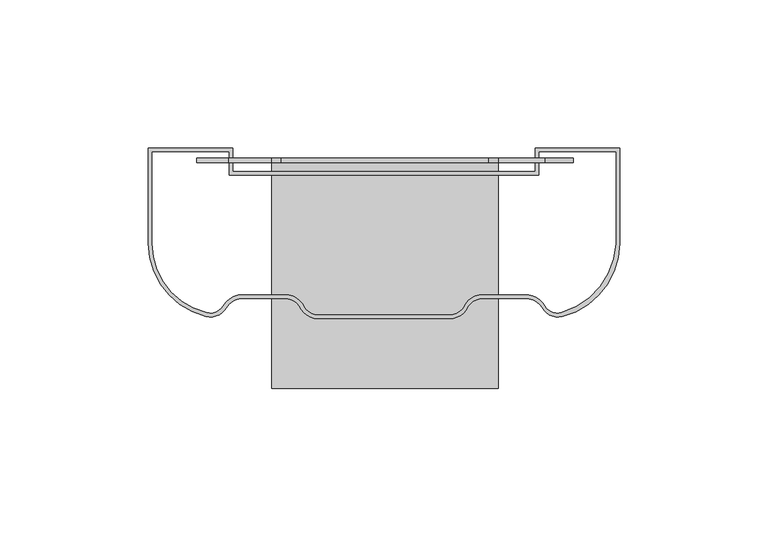
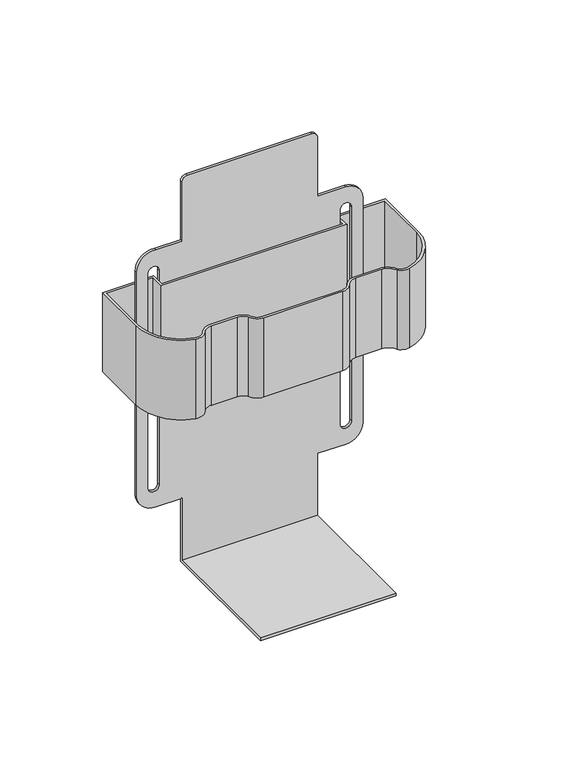
"""IFC4 building model written with IfcOpenShell, lengths in millimetres: furniture geometry."""

from ifc_helpers import new_model, si_unit, point, frame, frame_2d, origin, place, context, project, spatial, polyline, circle_curve, trimmed, segment, composite_curve, outline, extrude, source, transform, mapped, element, save
from ifc_brep_helpers import plane_surface, cylinder_surface, revolved_surface, advanced_brep


def furniture_bdedf092(model_context):
    return source(origin(), model_context, "Body", "SolidModel", [
        advanced_brep(
        [(38.4526217, -93.4962754, 985.8675626), (38.4526217, -93.4962754, 984.3689576), (38.4526217, -15.797675, 984.3689576), (38.4526217, -15.797675, 1022.4689622), (38.4526217, -17.2962754, 1022.4689622), (38.4526217, -17.2962754, 985.8675626), (-37.7473783, -15.797675, 984.3689576), (-37.7473783, -93.4962754, 984.3689576), (-37.7473783, -93.4962754, 985.8675626), (-37.7473783, -17.2962754, 985.8675626), (-37.7473783, -17.2962754, 1022.4689622), (-37.7473783, -15.797675, 1022.4689622), (-52.2863301, -15.797675, 1022.4689622), (-63.1473813, -15.797675, 1031.9939622), (-63.1473813, -15.797675, 1165.4216388), (-52.2863301, -15.797675, 1174.9466388), (-37.7473783, -15.797675, 1174.9466388), (-37.7473783, -15.797675, 1209.9493196), (-34.5723779, -15.797675, 1213.12432), (35.2992554, -15.797675, 1213.12432), (38.4526217, -15.797675, 1209.9709537), (38.4526217, -15.797675, 1174.9466388), (54.3276202, -15.797675, 1174.9466388), (63.8526202, -15.797675, 1165.4216388), (63.8526202, -15.797675, 1031.9939622), (54.3276202, -15.797675, 1022.4689622), (-56.7973783, -15.797675, 1035.1689501), (-50.4473798, -15.797675, 1035.1689501), (-50.4473798, -15.797675, 1162.2466373), (-56.7973783, -15.797675, 1162.2466373), (57.5026217, -15.797675, 1035.1689501), (57.5026217, -15.797675, 1162.2466373), (51.1526187, -15.797675, 1162.2466373), (51.1526187, -15.797675, 1035.1689501), (54.3276202, -17.2962754, 1022.4689622), (63.8526202, -17.2962754, 1031.9939622), (63.8526202, -17.2962754, 1165.4216388), (54.3276202, -17.2962754, 1174.9466388), (38.4526217, -17.2962754, 1174.9466388), (38.4526217, -17.2962754, 1209.9709537), (35.2992554, -17.2962754, 1213.12432), (-34.5723779, -17.2962754, 1213.12432), (-37.7473783, -17.2962754, 1209.9493196), (-37.7473783, -17.2962754, 1174.9466388), (-52.2863301, -17.2962754, 1174.9466388), (-63.1473813, -17.2962754, 1165.4216388), (-63.1473813, -17.2962754, 1031.9939622), (-52.2863301, -17.2962754, 1022.4689622), (-56.7973783, -17.2962754, 1035.1689501), (-56.7973783, -17.2962754, 1162.2466373), (-50.4473798, -17.2962754, 1162.2466373), (-50.4473798, -17.2962754, 1035.1689501), (57.5026217, -17.2962754, 1035.1689501), (51.1526187, -17.2962754, 1035.1689501), (51.1526187, -17.2962754, 1162.2466373), (57.5026217, -17.2962754, 1162.2466373)],
        [
            (0, 1),
            (1, 2),
            (2, 3),
            (3, 4),
            (4, 5),
            (5, 0),
            (6, 7),
            (7, 8),
            (8, 9),
            (9, 10),
            (10, 11),
            (11, 6),
            (8, 0),
            (5, 9),
            (7, 1),
            (6, 2),
            (11, 12),
            (12, 13, circle_curve(frame((-52.2863301, -15.797675, 1033.4237159), z_axis=(0.0, 1.0, 0.0), x_axis=(-1.0, 0.0, 0.0)), 10.9547538)),
            (13, 14),
            (14, 15, circle_curve(frame((-53.5402055, -15.797675, 1165.4216388), z_axis=(0.0, 1.0, 0.0), x_axis=(-1.0, 0.0, 0.0)), 9.6071759)),
            (15, 16),
            (16, 17),
            (17, 18, circle_curve(frame((-34.5723779, -15.797675, 1209.9493196), z_axis=(0.0, 1.0, 0.0), x_axis=(-1.0, 0.0, 0.0)), 3.1750004)),
            (18, 19),
            (19, 20, circle_curve(frame((35.2992554, -15.797675, 1209.9709537), z_axis=(0.0, 1.0, 0.0), x_axis=(-1.0, 0.0, 0.0)), 3.1533663)),
            (20, 21),
            (21, 22),
            (22, 23, circle_curve(frame((54.3276202, -15.797675, 1165.4216388), z_axis=(0.0, 1.0, 0.0), x_axis=(-1.0, 0.0, 0.0)), 9.525)),
            (23, 24),
            (24, 25, circle_curve(frame((54.3276202, -15.797675, 1031.9939622), z_axis=(0.0, 1.0, 0.0), x_axis=(-1.0, 0.0, 0.0)), 9.525)),
            (25, 3),
            (26, 27, circle_curve(frame((-53.6223791, -15.797675, 1035.1689501), z_axis=(0.0, -1.0, 0.0), x_axis=(-1.0, 0.0, 0.0)), 3.1749992)),
            (27, 28),
            (28, 29, circle_curve(frame((-53.6223791, -15.797675, 1162.2466373), z_axis=(0.0, -1.0, 0.0), x_axis=(-1.0, 0.0, 0.0)), 3.1749992)),
            (29, 26),
            (30, 31),
            (31, 32, circle_curve(frame((54.3276202, -15.797675, 1162.2466373), z_axis=(0.0, -1.0, 0.0), x_axis=(-1.0, 0.0, 0.0)), 3.1750015)),
            (32, 33),
            (33, 30, circle_curve(frame((54.3276202, -15.797675, 1035.1689501), z_axis=(0.0, -1.0, 0.0), x_axis=(-1.0, 0.0, 0.0)), 3.1750015)),
            (34, 35, circle_curve(frame((54.3276202, -17.2962754, 1031.9939622), z_axis=(0.0, -1.0, 0.0), x_axis=(-1.0, 0.0, 0.0)), 9.525)),
            (35, 36),
            (36, 37, circle_curve(frame((54.3276202, -17.2962754, 1165.4216388), z_axis=(0.0, -1.0, 0.0), x_axis=(-1.0, 0.0, 0.0)), 9.525)),
            (37, 38),
            (38, 39),
            (39, 40, circle_curve(frame((35.2992554, -17.2962754, 1209.9709537), z_axis=(0.0, -1.0, 0.0), x_axis=(-1.0, 0.0, 0.0)), 3.1533663)),
            (40, 41),
            (41, 42, circle_curve(frame((-34.5723779, -17.2962754, 1209.9493196), z_axis=(0.0, -1.0, 0.0), x_axis=(-1.0, 0.0, 0.0)), 3.1750004)),
            (42, 43),
            (43, 44),
            (44, 45, circle_curve(frame((-53.5402055, -17.2962754, 1165.4216388), z_axis=(0.0, -1.0, 0.0), x_axis=(-1.0, 0.0, 0.0)), 9.6071759)),
            (45, 46),
            (46, 47, circle_curve(frame((-52.2863301, -17.2962754, 1033.4237159), z_axis=(0.0, -1.0, 0.0), x_axis=(-1.0, 0.0, 0.0)), 10.9547538)),
            (47, 10),
            (4, 34),
            (48, 49),
            (49, 50, circle_curve(frame((-53.6223791, -17.2962754, 1162.2466373), z_axis=(0.0, 1.0, 0.0), x_axis=(-1.0, 0.0, 0.0)), 3.1749992)),
            (50, 51),
            (51, 48, circle_curve(frame((-53.6223791, -17.2962754, 1035.1689501), z_axis=(0.0, 1.0, 0.0), x_axis=(-1.0, 0.0, 0.0)), 3.1749992)),
            (52, 53, circle_curve(frame((54.3276202, -17.2962754, 1035.1689501), z_axis=(0.0, 1.0, 0.0), x_axis=(-1.0, 0.0, 0.0)), 3.1750015)),
            (53, 54),
            (54, 55, circle_curve(frame((54.3276202, -17.2962754, 1162.2466373), z_axis=(0.0, 1.0, 0.0), x_axis=(-1.0, 0.0, 0.0)), 3.1750015)),
            (55, 52),
            (34, 25),
            (24, 35),
            (23, 36),
            (22, 37),
            (43, 16),
            (15, 44),
            (14, 45),
            (13, 46),
            (12, 47),
            (48, 26),
            (29, 49),
            (28, 50),
            (27, 51),
            (52, 30),
            (33, 53),
            (32, 54),
            (31, 55),
            (21, 38),
            (20, 39),
            (19, 40),
            (18, 41),
            (17, 42),
        ],
        [
            plane_surface(frame((38.4526217, -93.4962754, 985.8675626), z_axis=(1.0, 0.0, 0.0), x_axis=(0.0, -1.0, 0.0))),
            plane_surface(frame((-37.7473783, -93.4962754, 985.8675626), z_axis=(-1.0, 0.0, 0.0), x_axis=(0.0, 1.0, 0.0))),
            plane_surface(frame((38.4526217, -15.797675, 985.8675626), z_axis=(0.0, 0.0, 1.0), x_axis=(-1.0, 0.0, 0.0))),
            plane_surface(frame((38.4526217, -93.4962754, 985.8675626), z_axis=(0.0, -1.0, 0.0), x_axis=(-1.0, 0.0, 0.0))),
            plane_surface(frame((38.4526217, -93.4962754, 984.3689576), z_axis=(0.0, 0.0, -1.0), x_axis=(-1.0, 0.0, 0.0))),
            plane_surface(frame((38.4526217, -15.797675, 984.3689576), z_axis=(0.0, 1.0, 0.0), x_axis=(-1.0, 0.0, 0.0))),
            plane_surface(frame((44.8026202, -17.2962754, 1031.9939622), z_axis=(0.0, -1.0, 0.0), x_axis=(0.0, 0.0, -1.0))),
            cylinder_surface(frame((54.3276202, -15.797675, 1031.9939622), z_axis=(0.0, -1.0, 0.0), x_axis=(-1.0, 0.0, 0.0)), 9.525),
            plane_surface(frame((63.8526202, -17.2962754, 1031.9939622), z_axis=(1.0, 0.0, 0.0), x_axis=(0.0, 1.0, 0.0))),
            cylinder_surface(frame((54.3276202, -15.797675, 1165.4216388), z_axis=(0.0, -1.0, 0.0), x_axis=(-1.0, 0.0, 0.0)), 9.525),
            plane_surface(frame((-37.7473783, -17.2962754, 1174.9466388), z_axis=(4.58985543900933e-12, 0.0, 1.0), x_axis=(0.0, 1.0, 0.0))),
            cylinder_surface(frame((-53.5402055, -15.797675, 1165.4216388), z_axis=(0.0, -1.0, 0.0), x_axis=(-1.0, 0.0, 0.0)), 9.6071759),
            plane_surface(frame((-63.1473813, -17.2962754, 1165.4216388), z_axis=(-1.0, 0.0, 0.0), x_axis=(0.0, 1.0, 0.0))),
            cylinder_surface(frame((-52.2863301, -15.797675, 1033.4237159), z_axis=(0.0, -1.0, 0.0), x_axis=(-1.0, 0.0, 0.0)), 10.9547538),
            plane_surface(frame((-52.2863301, -17.2962754, 1022.4689622), z_axis=(0.0, 0.0, -1.0), x_axis=(0.0, 1.0, 0.0))),
            plane_surface(frame((-56.7973783, -17.2962754, 1035.1689501), z_axis=(1.0, 0.0, 0.0), x_axis=(0.0, 1.0, 0.0))),
            revolved_surface(polyline([(-56.797378300000005, -15.797674999999998, 1162.2466373), (-56.797378300000005, -17.2962754, 1162.2466373)]), (-53.6223791, -69.9297724, 1162.2466373), (0.0, 1.0, 0.0)),
            plane_surface(frame((-50.4473798, -17.2962754, 1162.2466373), z_axis=(-1.0, 0.0, 0.0), x_axis=(0.0, 1.0, 0.0))),
            revolved_surface(polyline([(-56.797378300000005, -15.797674999999998, 1035.1689501), (-56.797378300000005, -17.2962754, 1035.1689501)]), (-53.6223791, -69.9297724, 1035.1689501), (0.0, 1.0, 0.0)),
            revolved_surface(polyline([(51.1526187, -15.797674999999998, 1035.1689501), (51.1526187, -17.2962754, 1035.1689501)]), (54.3276202, -69.9297724, 1035.1689501), (0.0, 1.0, 0.0)),
            plane_surface(frame((51.1526187, -17.2962754, 1035.1689501), z_axis=(1.0, 0.0, 0.0), x_axis=(0.0, 1.0, 0.0))),
            revolved_surface(polyline([(51.1526187, -15.797674999999998, 1162.2466373), (51.1526187, -17.2962754, 1162.2466373)]), (54.3276202, -69.9297724, 1162.2466373), (0.0, 1.0, 0.0)),
            plane_surface(frame((57.5026217, -17.2962754, 1162.2466373), z_axis=(-1.0, 0.0, 0.0), x_axis=(0.0, 1.0, 0.0))),
            plane_surface(frame((54.3276202, -17.2962754, 1174.9466388), z_axis=(0.0, 0.0, 1.0), x_axis=(0.0, 1.0, 0.0))),
            plane_surface(frame((38.4526217, -17.2962754, 1174.9466388), z_axis=(1.0, 0.0, 0.0), x_axis=(0.0, 1.0, 0.0))),
            cylinder_surface(frame((35.2992554, -15.797675, 1209.9709537), z_axis=(0.0, -1.0, 0.0), x_axis=(-1.0, 0.0, 0.0)), 3.1533663),
            plane_surface(frame((35.2992554, -17.2962754, 1213.12432), z_axis=(0.0, 0.0, 1.0), x_axis=(0.0, 1.0, 0.0))),
            cylinder_surface(frame((-34.5723779, -15.797675, 1209.9493196), z_axis=(0.0, -1.0, 0.0), x_axis=(-1.0, 0.0, 0.0)), 3.1750004),
            plane_surface(frame((-37.7473783, -17.2962754, 1209.9493196), z_axis=(-1.0, 0.0, 0.0), x_axis=(0.0, 1.0, 0.0))),
            plane_surface(frame((38.4526217, -17.2962754, 1022.4689622), z_axis=(0.0, 0.0, -1.0), x_axis=(0.0, 1.0, 0.0))),
        ],
        [
            (0, [[1, 2, 3, 4, 5, 6]]),
            (1, [[7, 8, 9, 10, 11, 12]]),
            (2, [[13, -6, 14, -9]]),
            (3, [[-1, -13, -8, 15]]),
            (4, [[-2, -15, -7, 16]]),
            (5, [[-3, -16, -12, 17, 18, 19, 20, 21, 22, 23, 24, 25, 26, 27, 28, 29, 30, 31], [32, 33, 34, 35], [36, 37, 38, 39]]),
            (6, [[40, 41, 42, 43, 44, 45, 46, 47, 48, 49, 50, 51, 52, 53, -10, -14, -5, 54], [55, 56, 57, 58], [59, 60, 61, 62]]),
            (7, [[-40, 63, -30, 64]]),
            (8, [[-41, -64, -29, 65]]),
            (9, [[-42, -65, -28, 66]]),
            (10, [[-49, 67, -21, 68]]),
            (11, [[-50, -68, -20, 69]]),
            (12, [[-51, -69, -19, 70]]),
            (13, [[-52, -70, -18, 71]]),
            (14, [[-53, -71, -17, -11]]),
            (15, [[-55, 72, -35, 73]]),
            (16, [[-56, -73, -34, 74]]),
            (17, [[-57, -74, -33, 75]]),
            (18, [[-58, -75, -32, -72]]),
            (19, [[-59, 76, -39, 77]]),
            (20, [[-60, -77, -38, 78]]),
            (21, [[-61, -78, -37, 79]]),
            (22, [[-62, -79, -36, -76]]),
            (23, [[-43, -66, -27, 80]]),
            (24, [[-44, -80, -26, 81]]),
            (25, [[-45, -81, -25, 82]]),
            (26, [[-46, -82, -24, 83]]),
            (27, [[-47, -83, -23, 84]]),
            (28, [[-48, -84, -22, -67]]),
            (29, [[-54, -4, -31, -63]]),
        ],
    ),
        extrude(outline(composite_curve([segment(polyline([(-79.4004, -12.4749724), (-50.9401277, -12.4749724), (-50.9401277, -20.280843), (50.9338003, -20.280843), (50.9338003, -12.4749724), (79.4004, -12.4749724), (79.4004, -44.5297739)]), True, "CONTINUOUS"), segment(trimmed(circle_curve(frame_2d((54.0023881, -44.5297739)), 25.3980119), [point((79.4004, -44.5297739))], [point((60.0694299, -69.1924991))], False, "CARTESIAN"), True, "CONTINUOUS"), segment(trimmed(circle_curve(frame_2d((58.6349299, -63.2259482)), 6.1365723), [point((60.0694299, -69.1924991))], [point((54.0101091, -67.2593776))], False, "CARTESIAN"), True, "CONTINUOUS"), segment(trimmed(circle_curve(frame_2d((47.6440755, -70.193071)), 7.0094893), [point((54.0101091, -67.2593776))], [point((47.6440755, -63.1835817))], True, "CARTESIAN"), True, "CONTINUOUS"), segment(polyline([(47.6440755, -63.1835817), (33.345457, -63.1835817)]), True, "CONTINUOUS"), segment(trimmed(circle_curve(frame_2d((33.345457, -69.3076334)), 6.1240517), [point((33.345457, -63.1835817))], [point((28.2683881, -65.8831072))], True, "CARTESIAN"), True, "CONTINUOUS"), segment(trimmed(circle_curve(frame_2d((22.1275167, -63.2470105)), 6.6827619), [point((28.2683881, -65.8831072))], [point((22.1275167, -69.9297724))], False, "CARTESIAN"), True, "CONTINUOUS"), segment(polyline([(22.1275167, -69.9297724), (-22.1275167, -69.9297724)]), True, "CONTINUOUS"), segment(trimmed(circle_curve(frame_2d((-22.1275167, -63.093578)), 6.8361944), [point((-22.1275167, -69.9297724))], [point((-28.4769494, -65.6270061))], False, "CARTESIAN"), True, "CONTINUOUS"), segment(trimmed(circle_curve(frame_2d((-33.3517822, -69.2681403)), 6.0845586), [point((-28.4769494, -65.6270061))], [point((-33.3517822, -63.1835817))], True, "CARTESIAN"), True, "CONTINUOUS"), segment(polyline([(-33.3517822, -63.1835817), (-47.6504004, -63.1835817)]), True, "CONTINUOUS"), segment(trimmed(circle_curve(frame_2d((-47.6504004, -69.5335849)), 6.3500031), [point((-47.6504004, -63.1835817))], [point((-53.1036585, -66.2801996))], True, "CARTESIAN"), True, "CONTINUOUS"), segment(trimmed(circle_curve(frame_2d((-58.5569172, -63.0268139)), 6.3500039), [point((-53.1036585, -66.2801996))], [point((-60.0757574, -69.1924991))], False, "CARTESIAN"), True, "CONTINUOUS"), segment(trimmed(circle_curve(frame_2d((-54.0004005, -44.5297739)), 25.3999995), [point((-60.0757574, -69.1924991))], [point((-79.4004, -44.5297739))], False, "CARTESIAN"), True, "CONTINUOUS"), segment(polyline([(-79.4004, -44.5297739), (-79.4004, -12.4749724)]), True, "CONTINUOUS")], self_intersect=False), holes=[composite_curve([segment(polyline([(78.0478747, -13.8168162), (52.2800026, -13.8168162), (52.2800026, -21.6270431), (-52.2863301, -21.6270431), (-52.2863301, -13.8168162), (-78.0542067, -13.8168162), (-78.0542067, -44.5297739)]), True, "CONTINUOUS"), segment(trimmed(circle_curve(frame_2d((-54.0004095, -44.5297739)), 24.0537972), [point((-78.0542067, -44.5297739))], [point((-59.7537613, -67.885375))], True, "CARTESIAN"), True, "CONTINUOUS"), segment(trimmed(circle_curve(frame_2d((-58.5652471, -63.0606286)), 4.9689781), [point((-59.7537613, -67.885375))], [point((-54.3587511, -65.7056494))], True, "CARTESIAN"), True, "CONTINUOUS"), segment(trimmed(circle_curve(frame_2d((-47.650403, -69.5883179)), 7.7509385), [point((-54.3587511, -65.7056494))], [point((-47.650403, -61.8373794))], False, "CARTESIAN"), True, "CONTINUOUS"), segment(polyline([(-47.650403, -61.8373794), (-33.3517822, -61.8373794)]), True, "CONTINUOUS"), segment(trimmed(circle_curve(frame_2d((-33.3517822, -69.2159291)), 7.3785498), [point((-33.3517822, -61.8373794))], [point((-27.4098575, -64.8413975))], False, "CARTESIAN"), True, "CONTINUOUS"), segment(trimmed(circle_curve(frame_2d((-22.1275167, -62.984292)), 5.5992826), [point((-27.4098575, -64.8413975))], [point((-22.1275167, -68.5835746))], True, "CARTESIAN"), True, "CONTINUOUS"), segment(polyline([(-22.1275167, -68.5835746), (22.1275167, -68.5835746)]), True, "CONTINUOUS"), segment(trimmed(circle_curve(frame_2d((22.1275167, -63.058943)), 5.5246316), [point((22.1275167, -68.5835746))], [point((27.3189722, -64.9484783))], True, "CARTESIAN"), True, "CONTINUOUS"), segment(trimmed(circle_curve(frame_2d((33.345457, -69.2298566)), 7.3924772), [point((27.3189722, -64.9484783))], [point((33.345457, -61.8373794))], False, "CARTESIAN"), True, "CONTINUOUS"), segment(polyline([(33.345457, -61.8373794), (47.6440755, -61.8373794)]), True, "CONTINUOUS"), segment(trimmed(circle_curve(frame_2d((47.6440755, -69.5929648)), 7.7555855), [point((47.6440755, -61.8373794))], [point((54.3606096, -65.7151721))], False, "CARTESIAN"), True, "CONTINUOUS"), segment(trimmed(circle_curve(frame_2d((58.4384717, -63.3608173)), 4.7087095), [point((54.3606096, -65.7151721))], [point((59.7543376, -67.8819281))], True, "CARTESIAN"), True, "CONTINUOUS"), segment(trimmed(circle_curve(frame_2d((52.650973, -43.4758728)), 25.4187593), [point((59.7543376, -67.8819281))], [point((78.0478747, -44.5297739))], True, "CARTESIAN"), True, "CONTINUOUS"), segment(polyline([(78.0478747, -44.5297739), (78.0478747, -13.8168162)]), True, "CONTINUOUS")], self_intersect=False)]), frame((0.0, 0.0, 1109.1130255), z_axis=(0.0, 0.0, 1.0), x_axis=(1.0, 0.0, 0.0)), (0.0, 0.0, 1.0), 47.0661951),
    ])


if __name__ == "__main__":
    model = new_model("IFC4")
    model_context = context("Model", 3, world=origin())
    ifc_project = project(units=[si_unit("LENGTHUNIT", "METRE", prefix="MILLI")], contexts=[model_context])
    site = spatial("IfcSite", under=ifc_project)
    building = spatial("IfcBuilding", under=site)
    placement = place(None, origin())
    furniture_shape = furniture_bdedf092(model_context)
    element("IfcFurniture", 1, at=placement, inside=building, context=model_context, shape_type="MappedRepresentation", body=[
        mapped(furniture_shape, transform((0.0, 0.0, 0.0), x_axis=(1.0, 0.0, 0.0), y_axis=(0.0, 1.0, 0.0), z_axis=(0.0, 0.0, 1.0))),
    ])
    save(model, "model.ifc")
